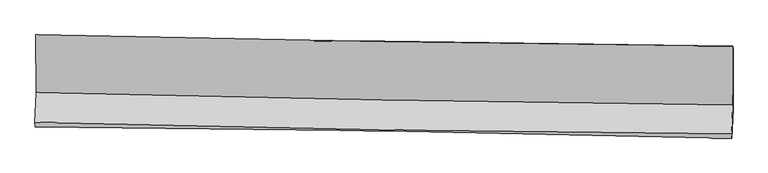
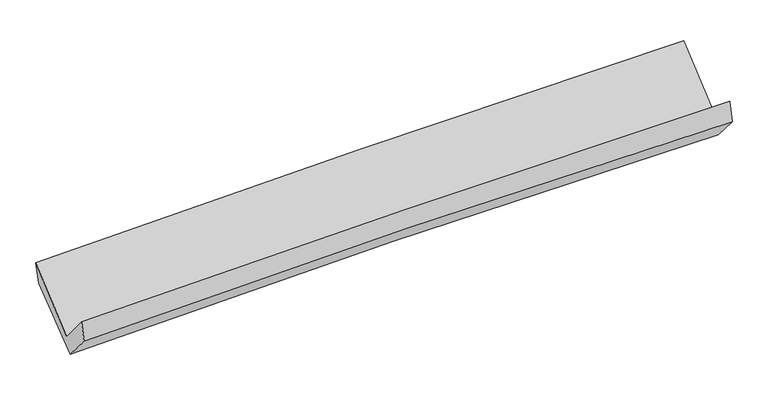
"""IFC4 building model written with IfcOpenShell, lengths in millimetres: proxy geometry."""

from ifc_helpers import new_model, si_unit, frame, origin, place, context, project, spatial, source, transform, mapped, element, save
from ifc_brep_helpers import plane_surface, spline_curve, spline_surface, advanced_brep


def generic_models_db597632(model_context):
    return source(origin(), model_context, "Body", "AdvancedBrep", [
        advanced_brep(
        [(-3027.1585438, -1161.1510234, 2151.7364436), (-3025.7070411, -1661.8740033, 1719.2808611), (3016.1176273, -1770.8651454, 1870.87454), (3014.8116156, -1258.7293224, 2304.6023663), (-3036.0632217, -1921.8334151, 2028.8418031), (3006.0108526, -2024.5640042, 2172.9803848), (-3033.0552846, -1959.9205599, 1856.6547268), (3009.3223961, -2059.8252426, 1988.2448968), (-3023.5024141, -1713.3196505, 1576.0355576), (3018.8497525, -1814.687423, 1707.7925364), (-3024.0243243, -1199.8040969, 1973.0687022), (3018.3318955, -1279.1139405, 2120.6075657)],
        [
            (0, 1),
            (1, 2, spline_curve(3, [(-3025.7070411, -1661.8740033, 1719.2808611), (-2019.133039229, -1687.803154824, 1756.502179566), (-1012.345106968, -1709.850486484, 1787.745851048), (1001.596475442, -1746.1803879, 1838.276339354), (2008.750099277, -1760.463437134, 1857.563894638), (3016.1176273, -1770.8651454, 1870.87454)], [4, 2, 4], [0.0, 9.916547156694252, 19.8324823510494])),
            (2, 3),
            (3, 0, spline_curve(3, [(3014.8116156, -1258.7293224, 2304.6023663), (2007.248614746, -1248.255519997, 2300.740887943), (999.985127898, -1234.887434087, 2286.07204811), (-1014.00496212, -1202.36169168, 2235.118074825), (-2020.731528627, -1183.203677973, 2198.831606588), (-3027.1585438, -1161.1510234, 2151.7364436)], [4, 2, 4], [0.0, 9.915935194355148, 19.8324823510494])),
            (1, 4),
            (4, 5, spline_curve(3, [(-3036.0632217, -1921.8334151, 2028.8418031), (-2029.662804741, -1948.034551153, 2074.210842184), (-1022.940877029, -1969.696125804, 2108.906951649), (991.083854339, -2003.939095375, 2156.951828051), (1998.386617867, -2016.521050478, 2170.301912705), (3006.0108526, -2024.5640042, 2172.9803848)], [4, 2, 4], [0.0, 9.916552693229246, 19.83249342377772])),
            (5, 2),
            (4, 6),
            (6, 7, spline_curve(3, [(-3033.0552846, -1959.9205599, 1856.6547268), (-2026.19269081, -1967.072401705, 1893.603142269), (-1019.214379513, -1978.974115912, 1923.043304206), (994.9115281, -2012.276263299, 1966.905767349), (2002.059110773, -2033.676109617, 1981.328995637), (3009.3223961, -2059.8252426, 1988.2448968)], [4, 2, 4], [0.0, 9.916469100358333, 19.832326243194515])),
            (7, 5),
            (6, 8),
            (8, 9, spline_curve(3, [(-3023.5024141, -1713.3196505, 1576.0355576), (-2016.692660174, -1722.234369374, 1614.247275452), (-1009.742894333, -1735.139426831, 1644.332970828), (1004.374511582, -1768.929176933, 1688.250961013), (2011.54213498, -1789.813376756, 1702.084258642), (3018.8497525, -1814.687423, 1707.7925364)], [4, 2, 4], [0.0, 9.916439955753964, 19.832267955784324])),
            (9, 7),
            (8, 10),
            (10, 11, spline_curve(3, [(-3024.0243243, -1199.8040969, 1973.0687022), (-2017.212878977, -1197.343092108, 2019.438634894), (-1010.261929671, -1202.722189056, 2054.918550117), (1003.856827279, -1229.15977137, 2104.096827411), (2011.024618279, -1250.217288855, 2117.796533389), (3018.3318955, -1279.1139405, 2120.6075657)], [4, 2, 4], [0.0, 9.916765918819118, 19.832919861799052])),
            (11, 9),
            (10, 0),
            (3, 11),
        ],
        [
            spline_surface(3, 3, [[(-3027.1585438, -1161.1510234, 2151.7364436), (-2020.731528533, -1183.203677913, 2198.831606712), (-1014.004962151, -1202.361691669, 2235.118074689), (999.985127929, -1234.887434098, 2286.072048246), (2007.248614728, -1248.255519978, 2300.740887866), (3014.8116156, -1258.7293224, 2304.6023663)], [(-3026.674709595, -1328.058683377, 2007.58458277), (-2020.198698829, -1351.403503596, 2051.38846436), (-1013.451677118, -1371.524623253, 2085.994000071), (1000.522243784, -1405.318418742, 2136.80681196), (2007.749109597, -1418.991492395, 2153.015223433), (3015.246952837, -1429.441263396, 2160.026424227)], [(-3026.190875305, -1494.966343323, 1863.43272193), (-2019.665869041, -1519.603329248, 1903.945321998), (-1012.898392068, -1540.687554803, 1936.869925542), (1001.059359655, -1575.749403353, 1987.541575765), (2008.249604455, -1589.727464824, 2005.289558918), (3015.682290063, -1600.153204404, 2015.450482073)], [(-3025.7070411, -1661.8740033, 1719.2808611), (-2019.133039338, -1687.803154931, 1756.502179646), (-1012.345107035, -1709.850486386, 1787.745850924), (1001.59647551, -1746.180387998, 1838.276339479), (2008.750099324, -1760.463437241, 1857.563894485), (3016.1176273, -1770.8651454, 1870.87454)]], [4, 4], [4, 2, 4], [0.0, 2.22472157536205], [0.0, 9.916547156694252, 19.8324823510494]),
            spline_surface(3, 3, [[(-3025.7070411, -1661.8740033, 1719.2808611), (-2019.133039338, -1687.803154931, 1756.502179646), (-1012.345107035, -1709.850486386, 1787.745850924), (1001.59647551, -1746.180387998, 1838.276339479), (2008.750099324, -1760.463437241, 1857.563894485), (3016.1176273, -1770.8651454, 1870.87454)], [(-3029.159101293, -1748.527140563, 1822.467841765), (-2022.642961108, -1774.546953702, 1862.405067158), (-1015.877030331, -1796.46569953, 1894.799551144), (998.092268409, -1832.099957079, 1944.5015024), (2005.295605518, -1845.815974948, 1961.809900561), (3012.748702415, -1855.431431655, 1971.576488254)], [(-3032.611161507, -1835.180277837, 1925.654822435), (-2026.152882898, -1861.290752484, 1968.307954676), (-1019.408953615, -1883.080912734, 2001.853251301), (994.58806132, -1918.019526221, 2050.726665258), (2001.841111668, -1931.16851269, 2066.055906677), (3009.379777485, -1939.997717945, 2072.278436546)], [(-3036.0632217, -1921.8334151, 2028.8418031), (-2029.662804669, -1948.034551255, 2074.210842189), (-1022.94087691, -1969.696125877, 2108.906951521), (991.08385422, -2003.939095303, 2156.951828179), (1998.386617862, -2016.521050397, 2170.301912753), (3006.0108526, -2024.5640042, 2172.9803848)]], [4, 4], [4, 2, 4], [0.0, 1.3504861354867381], [0.0, 9.916552693229246, 19.83249342377772]),
            spline_surface(3, 3, [[(-3036.0632217, -1921.8334151, 2028.8418031), (-2029.662804669, -1948.034551255, 2074.210842189), (-1022.94087691, -1969.696125877, 2108.906951521), (991.08385422, -2003.939095303, 2156.951828179), (1998.386617862, -2016.521050397, 2170.301912753), (3006.0108526, -2024.5640042, 2172.9803848)], [(-3035.060576003, -1934.529130011, 1971.446110986), (-2028.50610003, -1954.380501339, 2014.008275507), (-1021.698711147, -1972.78878927, 2046.95240236), (992.359745557, -2006.718151264, 2093.603141248), (1999.610782117, -2022.239403455, 2107.310940341), (3007.11470042, -2036.317750327, 2111.401888798)], [(-3034.057930297, -1947.224844989, 1914.050418914), (-2027.349395383, -1960.72645149, 1953.805708869), (-1020.456545397, -1975.881452646, 1984.997853264), (993.635636883, -2009.497207209, 2030.254454383), (2000.83494641, -2027.95775653, 2044.319967933), (3008.21854828, -2048.071496473, 2049.823392802)], [(-3033.0552846, -1959.9205599, 1856.6547268), (-2026.192690744, -1967.072401574, 1893.603142188), (-1019.214379634, -1978.974116039, 1923.043304102), (994.911528221, -2012.276263171, 1966.905767453), (2002.059110665, -2033.676109588, 1981.32899552), (3009.3223961, -2059.8252426, 1988.2448968)]], [4, 4], [4, 2, 4], [0.0, 0.6174503985563352], [0.0, 9.916469100358333, 19.832326243194515]),
            spline_surface(3, 3, [[(-3033.0552846, -1959.9205599, 1856.6547268), (-2026.192690744, -1967.072401574, 1893.603142188), (-1019.214379634, -1978.974116039, 1923.043304102), (994.911528221, -2012.276263171, 1966.905767453), (2002.059110665, -2033.676109588, 1981.32899552), (3009.3223961, -2059.8252426, 1988.2448968)], [(-3029.870994425, -1877.720256783, 1763.115003732), (-2023.026013879, -1885.459724177, 1800.484519996), (-1016.05721792, -1897.695886327, 1830.139859716), (998.065856035, -1931.160567737, 1874.020831964), (2005.220118732, -1952.388531996, 1888.247416538), (3012.498181578, -1978.112636059, 1894.760776669)], [(-3026.686704275, -1795.519953617, 1669.575280668), (-2019.859337039, -1803.847046733, 1707.365897807), (-1012.900056167, -1816.417656611, 1737.236415286), (1001.220183889, -1850.0448723, 1781.135896432), (2008.381126763, -1871.100954427, 1795.165837548), (3015.673967022, -1896.400029541, 1801.276656531)], [(-3023.5024141, -1713.3196505, 1576.0355576), (-2016.692660174, -1722.234369336, 1614.247275615), (-1009.742894453, -1735.139426899, 1644.332970899), (1004.374511703, -1768.929176865, 1688.250960942), (2011.54213483, -1789.813376834, 1702.084258566), (3018.8497525, -1814.687423, 1707.7925364)]], [4, 4], [4, 2, 4], [0.0, 1.2147534322254936], [0.0, 9.916439955753964, 19.832267955784324]),
            spline_surface(3, 3, [[(-3023.5024141, -1713.3196505, 1576.0355576), (-2016.692660174, -1722.234369336, 1614.247275615), (-1009.742894453, -1735.139426899, 1644.332970899), (1004.374511703, -1768.929176865, 1688.250960942), (2011.54213483, -1789.813376834, 1702.084258566), (3018.8497525, -1814.687423, 1707.7925364)], [(-3023.676384172, -1542.147799298, 1708.379939156), (-2016.866066432, -1547.270610255, 1749.311062112), (-1009.915906218, -1557.667014321, 1781.19483065), (1004.201950273, -1589.006041683, 1826.866249725), (2011.369629262, -1609.948014165, 1840.655016836), (3018.677133494, -1636.162928851, 1845.39754618)], [(-3023.850354228, -1370.975948102, 1840.724320644), (-2017.039472675, -1372.306851179, 1884.37484854), (-1010.088918011, -1380.194601715, 1918.056690444), (1004.029388814, -1409.082906472, 1965.48153855), (2011.197123711, -1430.082651444, 1979.225775066), (3018.504514506, -1457.638434649, 1983.00255592)], [(-3024.0243243, -1199.8040969, 1973.0687022), (-2017.212878933, -1197.343092097, 2019.438635036), (-1010.261929776, -1202.722189138, 2054.918550194), (1003.856827383, -1229.159771289, 2104.096827333), (2011.024618142, -1250.217288775, 2117.796533335), (3018.3318955, -1279.1139405, 2120.6075657)]], [4, 4], [4, 2, 4], [0.0, 2.2206782943505616], [0.0, 9.916765918819118, 19.832919861799052]),
            spline_surface(3, 3, [[(-3024.0243243, -1199.8040969, 1973.0687022), (-2017.212878933, -1197.343092097, 2019.438635036), (-1010.261929776, -1202.722189138, 2054.918550194), (1003.856827383, -1229.159771289, 2104.096827333), (2011.024618142, -1250.217288775, 2117.796533335), (3018.3318955, -1279.1139405, 2120.6075657)], [(-3025.069064112, -1186.919739068, 2032.624615991), (-2018.385762112, -1192.629954037, 2079.236292252), (-1011.509607225, -1202.602023308, 2114.98505839), (1002.566260908, -1231.068992219, 2164.755234335), (2009.765950326, -1249.563365855, 2178.777984818), (3017.158468856, -1272.319067812, 2181.939165872)], [(-3026.113803988, -1174.035381232, 2092.180529809), (-2019.558645354, -1187.916815973, 2139.033949496), (-1012.757284701, -1202.481857499, 2175.051566494), (1001.275694405, -1232.978213169, 2225.413641244), (2008.507282544, -1248.909442898, 2239.759436384), (3015.985042244, -1265.524195088, 2243.270766128)], [(-3027.1585438, -1161.1510234, 2151.7364436), (-2020.731528533, -1183.203677913, 2198.831606712), (-1014.004962151, -1202.361691669, 2235.118074689), (999.985127929, -1234.887434098, 2286.072048246), (2007.248614728, -1248.255519978, 2300.740887866), (3014.8116156, -1258.7293224, 2304.6023663)]], [4, 4], [4, 2, 4], [0.0, 0.5943150085033616], [0.0, 9.916813171818244, 19.833014364881265]),
            plane_surface(frame((3013.9073566, -1701.297513, 2027.5170483), z_axis=(0.9996703016579415, -0.015061899574131265, 0.02079488312877624), x_axis=(-0.0007658265364057237, 0.792026313352742, 0.6104864719767182))),
            plane_surface(frame((-3028.2518049, -1602.9837915, 1884.2696824), z_axis=(-0.9996703016579118, 0.015061899575823476, -0.020794883128974248), x_axis=(0.017143003004363416, -0.21141779270091923, -0.9772454320064452))),
        ],
        [
            (0, [[1, 2, 3, 4]]),
            (1, [[5, 6, 7, -2]]),
            (2, [[8, 9, 10, -6]]),
            (3, [[11, 12, 13, -9]]),
            (4, [[14, 15, 16, -12]]),
            (5, [[17, -4, 18, -15]]),
            (6, [[-16, -18, -3, -7, -10, -13]]),
            (7, [[-17, -14, -11, -8, -5, -1]]),
        ],
    ),
    ])


if __name__ == "__main__":
    model = new_model("IFC4")
    model_context = context("Model", 3, world=origin())
    ifc_project = project(units=[si_unit("LENGTHUNIT", "METRE", prefix="MILLI")], contexts=[model_context])
    site = spatial("IfcSite", under=ifc_project)
    building = spatial("IfcBuilding", under=site)
    placement = place(None, origin())
    generic_models_shape = generic_models_db597632(model_context)
    element("IfcBuildingElementProxy", 1, Name="Generic Models", at=placement, inside=building, context=model_context, shape_type="MappedRepresentation", body=[
        mapped(generic_models_shape, transform((0.0, 0.0, 0.0), x_axis=(1.0, 0.0, 0.0), y_axis=(0.0, 1.0, 0.0), z_axis=(0.0, 0.0, 1.0))),
    ])
    save(model, "model.ifc")
